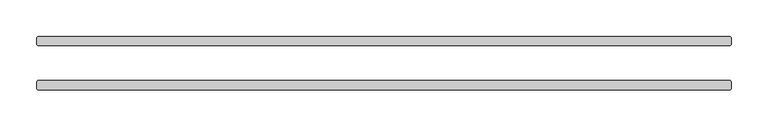
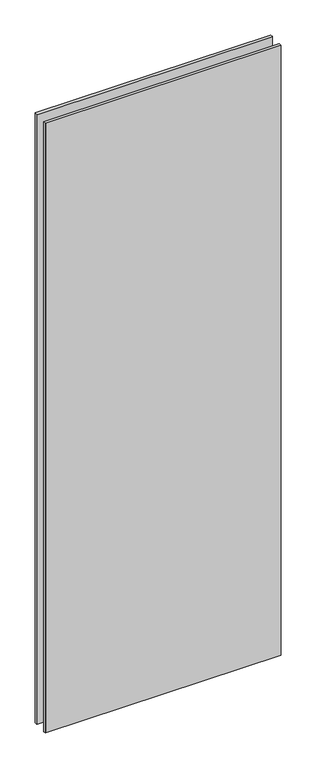
"""IFC4 building model written with IfcOpenShell, lengths in millimetres: plate geometry."""

from ifc_helpers import new_model, si_unit, origin, origin_with_axes, place, context, project, spatial, polyline, outline, extrude, source, transform, mapped, element, save


def plate_1a5503bc(model_context):
    return source(origin(), model_context, "Body", "SweptSolid", [
        extrude(outline(polyline([(472.28125, -23.8125), (473.86875, -25.4), (473.86875, -34.925), (472.28125, -36.5125), (-472.28125, -36.5125), (-473.86875, -34.925), (-473.86875, -25.4), (-472.28125, -23.8125), (472.28125, -23.8125)])), origin_with_axes(), (0.0, 0.0, 1.0), 2586.0375),
        extrude(outline(polyline([(472.28125, 36.5125), (473.86875, 34.925), (473.86875, 25.4), (472.28125, 23.8125), (-472.28125, 23.8125), (-473.86875, 25.4), (-473.86875, 34.925), (-472.28125, 36.5125), (472.28125, 36.5125)])), origin_with_axes(), (0.0, 0.0, 1.0), 2586.0375),
    ])


if __name__ == "__main__":
    model = new_model("IFC4")
    model_context = context("Model", 3, world=origin())
    ifc_project = project(units=[si_unit("LENGTHUNIT", "METRE", prefix="MILLI")], contexts=[model_context])
    site = spatial("IfcSite", under=ifc_project)
    building = spatial("IfcBuilding", under=site)
    placement = place(None, origin())
    plate_shape = plate_1a5503bc(model_context)
    element("IfcPlate", 1, at=placement, inside=building, context=model_context, shape_type="MappedRepresentation", body=[
        mapped(plate_shape, transform((0.0, 0.0, 0.0), x_axis=(1.0, 0.0, 0.0), y_axis=(0.0, 1.0, 0.0), z_axis=(0.0, 0.0, 1.0))),
    ])
    save(model, "model.ifc")
